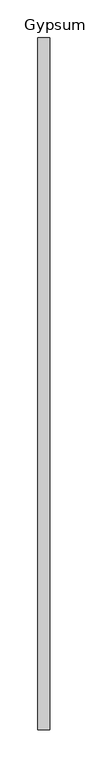
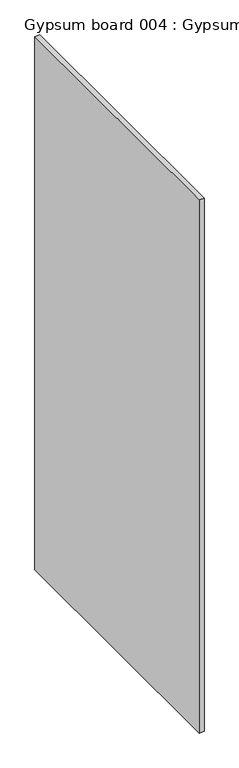
"""IFC4 building model written with IfcOpenShell, lengths in millimetres: proxy geometry, Gypsum board 004 : Gypsum board 004."""

from ifc_helpers import new_model, si_unit, frame, origin, place, context, project, spatial, polyline, outline, extrude, source, transform, mapped, element, save


def gypsum_board_004_gypsum_board_004_0ff3994b(model_context):
    return source(origin(), model_context, "Body", "SweptSolid", [
        extrude(outline(polyline([(37503.7092494, -25196.3529893), (37487.8342495, -25196.3529893), (37487.8342495, -24281.9529893), (37503.7092494, -24281.9529893), (37503.7092494, -25196.3529893)])), frame((0.0, 0.0, 2758.6120276), z_axis=(0.0, 0.0, 1.0), x_axis=(1.0, 0.0, 0.0)), (0.0, 0.0, 1.0), 1813.3879724),
    ])


if __name__ == "__main__":
    model = new_model("IFC4")
    model_context = context("Model", 3, world=origin())
    ifc_project = project(units=[si_unit("LENGTHUNIT", "METRE", prefix="MILLI")], contexts=[model_context])
    site = spatial("IfcSite", under=ifc_project)
    building = spatial("IfcBuilding", under=site)
    placement = place(None, origin())
    gypsum_board_004_gypsum_board_004_shape = gypsum_board_004_gypsum_board_004_0ff3994b(model_context)
    element("IfcBuildingElementProxy", 1, Name="Gypsum board 004 : Gypsum board 004", ObjectType="Gypsum board 004 : Gypsum board 004", at=placement, inside=building, context=model_context, shape_type="MappedRepresentation", body=[
        mapped(gypsum_board_004_gypsum_board_004_shape, transform((0.0, 0.0, 0.0), x_axis=(1.0, 0.0, 0.0), y_axis=(0.0, 1.0, 0.0), z_axis=(0.0, 0.0, 1.0))),
    ])
    save(model, "model.ifc")
